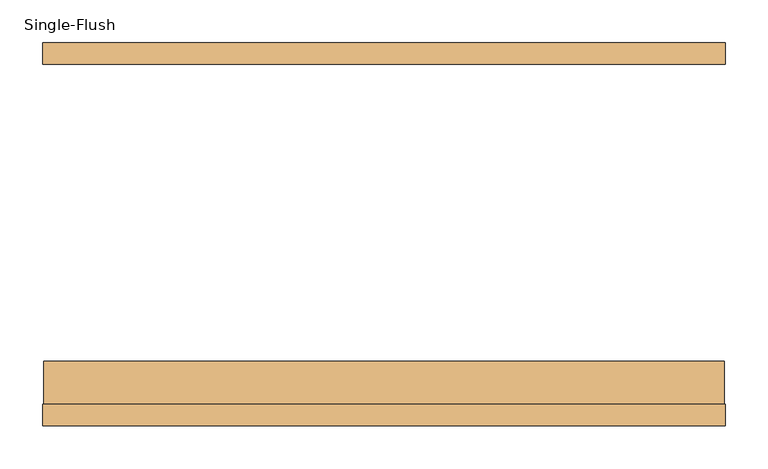
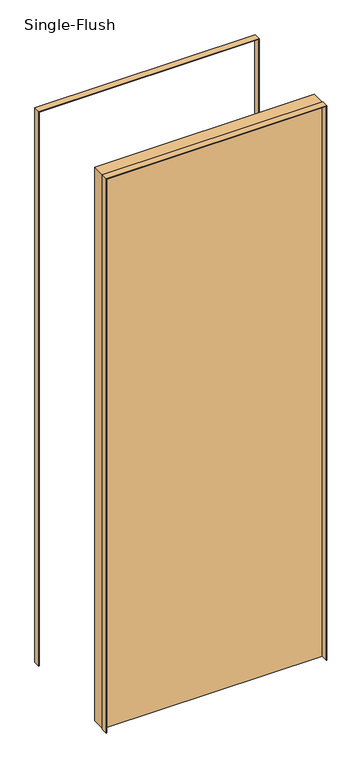
"""IFC4 building model written with IfcOpenShell, lengths in millimetres: door geometry, Single-Flush."""

from ifc_helpers import new_model, si_unit, frame, origin, origin_with_axes, place, context, project, spatial, polyline, outline, extrude, source, transform, mapped, element, save


def single_flush_5907f119(model_context):
    return source(origin(), model_context, "Body", "SweptSolid", [
        extrude(outline(polyline([(2135.1875, -401.5875), (0.0, -401.5875), (0.0, -400.0), (2133.6, -400.0), (2133.6, 400.0), (0.0, 400.0), (0.0, 401.5875), (2135.1875, 401.5875), (2135.1875, -401.5875)])), frame((0.0, -225.4, 0.0), z_axis=(0.0, 1.0, 0.0), x_axis=(0.0, 0.0, 1.0)), (0.0, 0.0, 1.0), 25.4),
        extrude(outline(polyline([(2135.1875, 401.5875), (2135.1875, -401.5875), (0.0, -401.5875), (0.0, -400.0), (2133.6, -400.0), (2133.6, 400.0), (0.0, 400.0), (0.0, 401.5875), (2135.1875, 401.5875)])), frame((0.0, 200.0, 0.0), z_axis=(0.0, 1.0, 0.0), x_axis=(0.0, 0.0, 1.0)), (0.0, 0.0, 1.0), 25.4),
        extrude(outline(polyline([(400.0, -149.2), (400.0, -200.0), (-400.0, -200.0), (-400.0, -149.2), (400.0, -149.2)])), origin_with_axes(), (0.0, 0.0, 1.0), 2133.6),
    ])


if __name__ == "__main__":
    model = new_model("IFC4")
    model_context = context("Model", 3, world=origin())
    ifc_project = project(units=[si_unit("LENGTHUNIT", "METRE", prefix="MILLI")], contexts=[model_context])
    site = spatial("IfcSite", under=ifc_project)
    building = spatial("IfcBuilding", under=site)
    placement = place(None, origin())
    single_flush_shape = single_flush_5907f119(model_context)
    element("IfcDoor", 1, ObjectType="Single-Flush", at=placement, inside=building, context=model_context, shape_type="MappedRepresentation", body=[
        mapped(single_flush_shape, transform((0.0, 0.0, 0.0), x_axis=(1.0, 0.0, 0.0), y_axis=(0.0, 1.0, 0.0), z_axis=(0.0, 0.0, 1.0))),
    ])
    save(model, "model.ifc")
